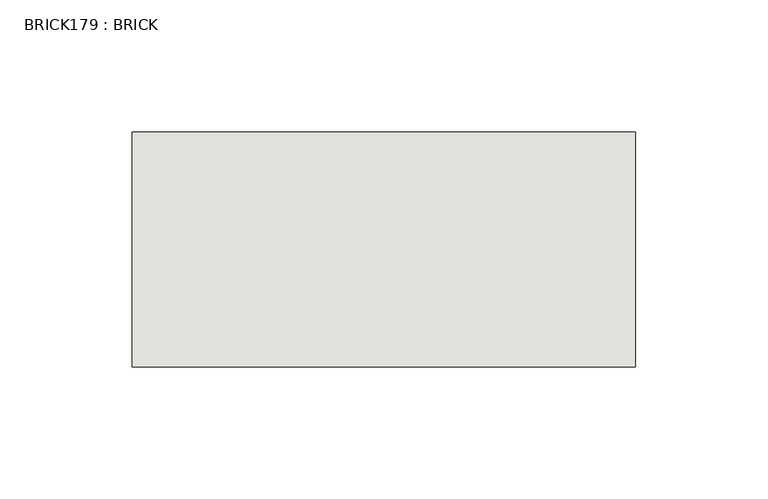
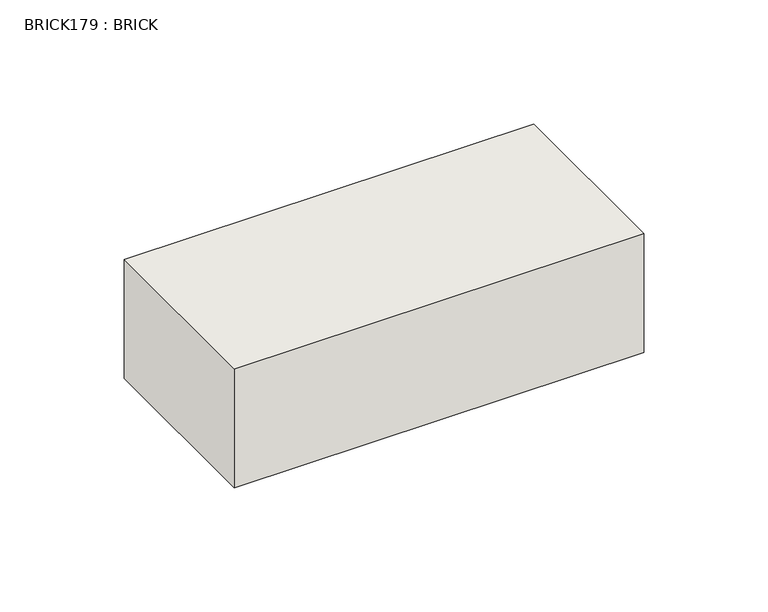
"""IFC4 building model written with IfcOpenShell, lengths in millimetres: wall geometry, BRICK179 : BRICK."""

from ifc_helpers import new_model, si_unit, frame, origin, place, context, project, spatial, polyline, outline, extrude, source, transform, mapped, element, save


def brick179_brick_64a6303e(model_context):
    return source(origin(), model_context, "Body", "SweptSolid", [
        extrude(outline(polyline([(-261.8574357, 3062.3923312), (-71.3574357, 3062.3923312), (-71.3574357, 2973.4923312), (-261.8574357, 2973.4923312), (-261.8574357, 3062.3923312)])), frame((0.0, 0.0, 143.8671875), z_axis=(0.0, 0.0, 1.0), x_axis=(1.0, 0.0, 0.0)), (0.0, 0.0, 1.0), 58.4398437),
    ])


if __name__ == "__main__":
    model = new_model("IFC4")
    model_context = context("Model", 3, world=origin())
    ifc_project = project(units=[si_unit("LENGTHUNIT", "METRE", prefix="MILLI")], contexts=[model_context])
    site = spatial("IfcSite", under=ifc_project)
    building = spatial("IfcBuilding", under=site)
    placement = place(None, origin())
    brick179_brick_shape = brick179_brick_64a6303e(model_context)
    element("IfcWall", 1, ObjectType="BRICK179 : BRICK", at=placement, inside=building, context=model_context, shape_type="MappedRepresentation", body=[
        mapped(brick179_brick_shape, transform((0.0, 0.0, 0.0), x_axis=(1.0, 0.0, 0.0), y_axis=(0.0, 1.0, 0.0), z_axis=(0.0, 0.0, 1.0))),
    ])
    save(model, "model.ifc")
